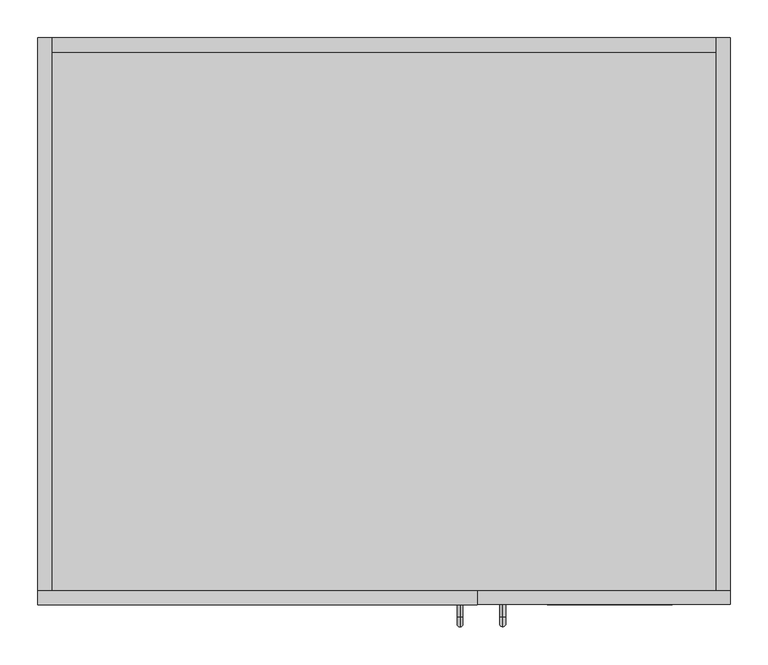
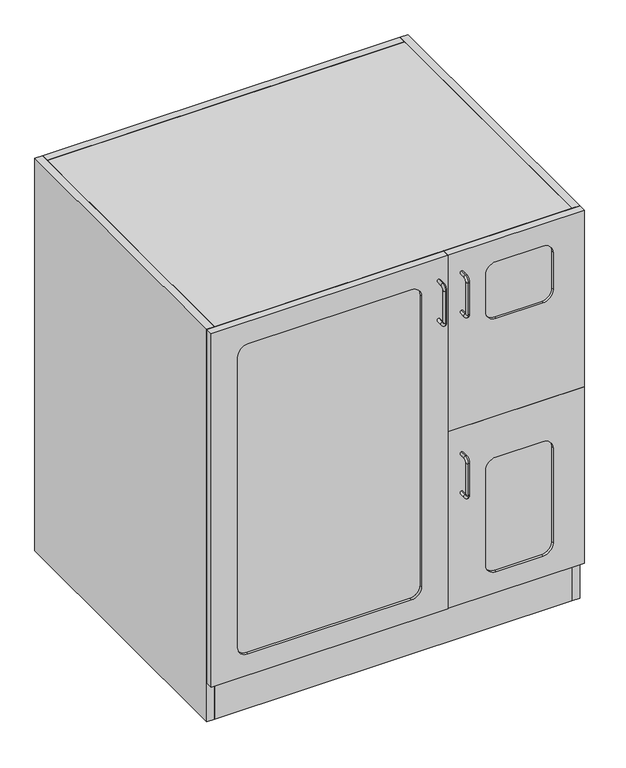
"""IFC4 building model written with IfcOpenShell, lengths in millimetres: proxy geometry."""

import ifcopenshell
import ifcopenshell.guid

model = None  # the IFC model being written
_history = None  # IfcOwnerHistory: only IFC2X3 demands one
_inside = {}  # id of a spatial element -> (the spatial element, [elements in it])
_under = {}  # id of a project, library or spatial element -> (it, [spatial elements below it])
_declared = {}  # id of a project -> (the project, [libraries it declares])
_typed = {}  # id of a type object -> (the type object, [elements of that type])
_made_of = {}  # id of a material, layer set ... -> (it, [elements and type objects made of it])


def new_model(schema):
    """Start an empty IFC model of exactly this schema.

    Asked for "IFC4X3", IfcOpenShell would pick the latest addendum, in which some entities
    have other attributes; the version numbers below select the first issue.
    IFC2X3 requires an IfcOwnerHistory on every rooted entity: one is made here for all.
    """
    global model, _history
    if schema == "IFC4X3":
        model = ifcopenshell.file(schema_version=(4, 3, 0, 0))
    else:
        model = ifcopenshell.file(schema=schema)
    _inside.clear()
    _under.clear()
    _declared.clear()
    _typed.clear()
    _made_of.clear()
    _history = None
    if model.schema == "IFC2X3":
        org = make("IfcOrganization", Name="unknown")
        user = make(
            "IfcPersonAndOrganization",
            ThePerson=make("IfcPerson", FamilyName="unknown"),
            TheOrganization=org,
        )
        app = make(
            "IfcApplication",
            ApplicationDeveloper=org,
            Version="unknown",
            ApplicationFullName="unknown",
            ApplicationIdentifier="unknown",
        )
        _history = make(
            "IfcOwnerHistory",
            OwningUser=user,
            OwningApplication=app,
            ChangeAction="ADDED",
            CreationDate=0,
        )
    return model


def make(cls, **values):
    """One entity of the class cls with the attributes given. An attribute that is None is left unset."""
    return model.create_entity(
        cls, **{name: value for name, value in values.items() if value is not None}
    )


def rooted(cls, **values):
    """An entity with a GlobalId (a new one), such as an element, a storey or a relation."""
    return make(cls, GlobalId=ifcopenshell.guid.new(), OwnerHistory=_history, **values)


def si_unit(unit_type, name, prefix=None):
    """IfcSIUnit, for example si_unit("LENGTHUNIT", "METRE", prefix="MILLI")."""
    return make("IfcSIUnit", UnitType=unit_type, Prefix=prefix, Name=name)


def assignment(units):
    """IfcUnitAssignment: the units of a project."""
    return None if units is None else make("IfcUnitAssignment", Units=units)


def point(xyz):
    """IfcCartesianPoint."""
    return None if xyz is None else make("IfcCartesianPoint", Coordinates=xyz)


def direction(xyz):
    """IfcDirection."""
    return None if xyz is None else make("IfcDirection", DirectionRatios=xyz)


def frame(location, z_axis=None, x_axis=None):
    """IfcAxis2Placement3D, a coordinate frame: its origin and axes. An axis left out is left unset."""
    return make(
        "IfcAxis2Placement3D",
        Location=point(location),
        Axis=direction(z_axis),
        RefDirection=direction(x_axis),
    )


def frame_2d(location, x_axis=None):
    """IfcAxis2Placement2D, a coordinate frame in the plane: its origin and x axis."""
    return make(
        "IfcAxis2Placement2D", Location=point(location), RefDirection=direction(x_axis)
    )


def origin():
    """The frame at (0, 0, 0) with its axes left unset."""
    return frame((0.0, 0.0, 0.0))


def origin_with_axes():
    """The frame at (0, 0, 0) with the z axis (0, 0, 1) and the x axis (1, 0, 0) written out."""
    return frame((0.0, 0.0, 0.0), z_axis=(0.0, 0.0, 1.0), x_axis=(1.0, 0.0, 0.0))


def place(relative_to, where):
    """IfcLocalPlacement: puts the frame where relative to a parent placement (None: the world)."""
    return make(
        "IfcLocalPlacement", PlacementRelTo=relative_to, RelativePlacement=where
    )


def context(
    kind, dimensions, precision=None, world=None, true_north=None, identifier=None
):
    """IfcGeometricRepresentationContext, for example the 3D "Model" context."""
    return make(
        "IfcGeometricRepresentationContext",
        ContextIdentifier=identifier,
        ContextType=kind,
        CoordinateSpaceDimension=dimensions,
        Precision=precision,
        WorldCoordinateSystem=world,
        TrueNorth=true_north,
    )


def project(units=None, contexts=None):
    """IfcProject with its units and contexts."""
    return rooted(
        "IfcProject",
        Name="project",
        RepresentationContexts=contexts,
        UnitsInContext=assignment(units),
    )


def spatial(cls, under=None, at=None, **own):
    """A site, building, storey or space (cls), placed at a placement, below another one or the project."""
    s = rooted(cls, ObjectPlacement=at, **own)
    if under is not None:
        _under.setdefault(under.id(), (under, []))[1].append(s)
    return s


def polyline(points):
    """IfcPolyline through the points."""
    return make("IfcPolyline", Points=[point(p) for p in points])


def circle_curve(where, radius):
    """IfcCircle in the frame where."""
    return make("IfcCircle", Position=where, Radius=radius)


def ellipse_curve(where, semi_axis1, semi_axis2):
    """IfcEllipse in the frame where."""
    return make(
        "IfcEllipse", Position=where, SemiAxis1=semi_axis1, SemiAxis2=semi_axis2
    )


def trimmed(basis, trim1, trim2, sense, master):
    """IfcTrimmedCurve: the piece of a basis curve between two trims."""
    return make(
        "IfcTrimmedCurve",
        BasisCurve=basis,
        Trim1=trim1,
        Trim2=trim2,
        SenseAgreement=sense,
        MasterRepresentation=master,
    )


def segment(curve, same_sense, transition):
    """IfcCompositeCurveSegment."""
    return make(
        "IfcCompositeCurveSegment",
        Transition=transition,
        SameSense=same_sense,
        ParentCurve=curve,
    )


def composite_curve(segments, self_intersect=None):
    """IfcCompositeCurve: segments joined end to end."""
    return make("IfcCompositeCurve", Segments=segments, SelfIntersect=self_intersect)


def outline(outer, holes=None, kind="AREA"):
    """IfcArbitraryClosedProfileDef: a profile drawn as a closed curve; with holes, ...WithVoids."""
    if holes is None:
        return make("IfcArbitraryClosedProfileDef", ProfileType=kind, OuterCurve=outer)
    return make(
        "IfcArbitraryProfileDefWithVoids",
        ProfileType=kind,
        OuterCurve=outer,
        InnerCurves=holes,
    )


def extrude(swept, where, along, depth):
    """IfcExtrudedAreaSolid: the profile swept, set in the frame where, extruded along a direction by depth."""
    return make(
        "IfcExtrudedAreaSolid",
        SweptArea=swept,
        Position=where,
        ExtrudedDirection=direction(along),
        Depth=depth,
    )


def shape(context_of_items, identifier, shape_type, items):
    """IfcShapeRepresentation: the items that make up one representation, for example the "Body"."""
    return make(
        "IfcShapeRepresentation",
        ContextOfItems=context_of_items,
        RepresentationIdentifier=identifier,
        RepresentationType=shape_type,
        Items=items,
    )


def source(mapping_origin, context_of_items, identifier, shape_type, items):
    """IfcRepresentationMap: a shape defined once, which mapped items show again and again."""
    return make(
        "IfcRepresentationMap",
        MappingOrigin=mapping_origin,
        MappedRepresentation=shape(context_of_items, identifier, shape_type, items),
    )


def transform(
    local_origin,
    x_axis=None,
    y_axis=None,
    z_axis=None,
    scale=None,
    scale2=None,
    scale3=None,
    uniform=True,
):
    """IfcCartesianTransformationOperator3D, or its non-uniform kind. x_axis, y_axis, z_axis: its Axis1, 2, 3."""
    if uniform:
        return make(
            "IfcCartesianTransformationOperator3D",
            Axis1=direction(x_axis),
            Axis2=direction(y_axis),
            LocalOrigin=point(local_origin),
            Scale=scale,
            Axis3=direction(z_axis),
        )
    return make(
        "IfcCartesianTransformationOperator3DnonUniform",
        Axis1=direction(x_axis),
        Axis2=direction(y_axis),
        LocalOrigin=point(local_origin),
        Scale=scale,
        Axis3=direction(z_axis),
        Scale2=scale2,
        Scale3=scale3,
    )


def mapped(mapping_source, mapping_target):
    """IfcMappedItem: shows the shape of a source again, moved by a transform."""
    return make(
        "IfcMappedItem", MappingSource=mapping_source, MappingTarget=mapping_target
    )


def made_of(thing, what):
    """Note that an element or type object is made of a material, layer set ...; save() writes the relation."""
    if what is not None:
        _made_of.setdefault(what.id(), (what, []))[1].append(thing)
    return thing


def element(
    cls,
    number,
    at=None,
    inside=None,
    cuts=None,
    type_object=None,
    material=None,
    context=None,
    identifier="Body",
    shape_type=None,
    held_by="IfcProductDefinitionShape",
    body=None,
    shapes=None,
    **own,
):
    """One element of the class cls, such as IfcWall. Its Tag is "e" and its number.

    at: its placement. inside: the storey or other place that contains it. cuts: it is an
    opening in that element (IfcRelVoidsElement). A single representation is given by context,
    identifier, shape_type and body (its items); several are given by shapes. held_by: the class
    of the entity that holds the representations. save() writes the other relations.
    """
    e = rooted(cls, Tag="e%d" % number, ObjectPlacement=at, **own)
    if body is not None:
        shapes = [shape(context, identifier, shape_type, body)]
    if shapes is not None:
        e.Representation = make(held_by, Representations=shapes)
    if inside is not None:
        _inside.setdefault(inside.id(), (inside, []))[1].append(e)
    if cuts is not None:
        rooted(
            "IfcRelVoidsElement", RelatingBuildingElement=cuts, RelatedOpeningElement=e
        )
    if type_object is not None:
        _typed.setdefault(type_object.id(), (type_object, []))[1].append(e)
    return made_of(e, material)


def aggregate(whole, parts):
    """IfcRelAggregates: a whole, such as a stair, and the parts it consists of."""
    return rooted("IfcRelAggregates", RelatingObject=whole, RelatedObjects=parts)


def save(model, path):
    """Write the relations noted so far, then the file.

    IfcRelAggregates (storeys below a building ...), IfcRelContainedInSpatialStructure (elements
    in a storey), IfcRelDefinesByType, IfcRelAssociatesMaterial and IfcRelDeclares: one each for
    every whole, place, type object, material and project.
    """
    for whole, parts in _under.values():
        aggregate(whole, parts)
    for where, things in _inside.values():
        rooted(
            "IfcRelContainedInSpatialStructure",
            RelatedElements=things,
            RelatingStructure=where,
        )
    for kind, things in _typed.values():
        rooted("IfcRelDefinesByType", RelatedObjects=things, RelatingType=kind)
    for what, things in _made_of.values():
        rooted("IfcRelAssociatesMaterial", RelatedObjects=things, RelatingMaterial=what)
    for by, libraries in _declared.values():
        rooted("IfcRelDeclares", RelatingContext=by, RelatedDefinitions=libraries)
    model.write(path)


def plane_surface(at):
    """IfcPlane: the flat surface through the origin of the frame at, square to its z axis."""
    return make("IfcPlane", Position=at)


def cylinder_surface(at, radius):
    """IfcCylindricalSurface: all points at the distance radius from the z axis of the frame at."""
    return make("IfcCylindricalSurface", Position=at, Radius=radius)


def revolved_surface(curve, axis_point, axis_direction):
    """IfcSurfaceOfRevolution: the curve turned about the line through axis_point along axis_direction."""
    return make(
        "IfcSurfaceOfRevolution",
        SweptCurve=make("IfcArbitraryOpenProfileDef", ProfileType="CURVE", Curve=curve),
        AxisPosition=make("IfcAxis1Placement", Location=point(axis_point), Axis=direction(axis_direction)),
    )


def advanced_brep(points, edges, surfaces, faces):
    """IfcAdvancedBrep: a solid bounded by faces that lie on surfaces and meet in shared edges.

    An edge is (start, end): straight between two places in points (the first is 0);
    or (start, end, curve); or (start, end, curve, False) where it runs against its curve.
    A face is (place in surfaces, loops), or (place, loops, False) where it looks against
    its surface's normal. A loop lists edges by number (the first is 1), with a minus sign
    where the edge is run from its end to its start. The first loop is the outer one.
    """
    corners = [point(p) for p in points]
    vertices = [make("IfcVertexPoint", VertexGeometry=c) for c in corners]
    made = []
    for start, end, *more in edges:
        made.append(
            make(
                "IfcEdgeCurve",
                EdgeStart=vertices[start],
                EdgeEnd=vertices[end],
                EdgeGeometry=more[0] if more else make("IfcPolyline", Points=[corners[start], corners[end]]),
                SameSense=more[1] if len(more) > 1 else True,
            )
        )
    hull = []
    for where, loops, *sense in faces:
        bounds = []
        for j, loop in enumerate(loops):
            ring = [make("IfcOrientedEdge", EdgeElement=made[abs(k) - 1], Orientation=k > 0) for k in loop]
            bounds.append(
                make(
                    "IfcFaceOuterBound" if j == 0 else "IfcFaceBound",
                    Bound=make("IfcEdgeLoop", EdgeList=ring),
                    Orientation=True,
                )
            )
        hull.append(make("IfcAdvancedFace", Bounds=bounds, FaceSurface=surfaces[where], SameSense=sense[0] if sense else True))
    return make("IfcAdvancedBrep", Outer=make("IfcClosedShell", CfsFaces=hull))


def specialty_equipment_f8169be7(model_context):
    return source(origin(), model_context, "Body", "SolidModel", [
        advanced_brep(
        [(309.1688814, -139.3992455, 956.5118154), (309.1688814, -139.3992455, 964.3631846), (309.1688814, -155.5610223, 964.3631846), (309.1688814, -155.5610223, 956.5118154), (309.1688814, -168.7249301, 951.1992768), (309.1688814, -160.8735609, 951.1992768), (309.1688814, -168.7249301, 868.0757232), (309.1688814, -160.8735609, 868.0757232), (309.1688814, -155.5610223, 854.9118154), (309.1688814, -155.5610223, 862.7631846), (309.1688814, -139.3992455, 862.7631846), (309.1688814, -139.3992455, 854.9118154)],
        [
            (0, 1, circle_curve(frame((309.1688814, -139.3992455, 960.4375), z_axis=(0.0, 1.0, 0.0), x_axis=(0.0, 0.0, 1.0)), 3.9256846)),
            (1, 0, circle_curve(frame((309.1688814, -139.3992455, 960.4375), z_axis=(0.0, 1.0, 0.0), x_axis=(0.0, 0.0, 1.0)), 3.9256846)),
            (1, 2),
            (2, 3, circle_curve(frame((309.1688814, -155.5610223, 960.4375), z_axis=(0.0, 1.0, 0.0), x_axis=(0.0, 0.0, 1.0)), 3.9256846)),
            (3, 0),
            (3, 2, circle_curve(frame((309.1688814, -155.5610223, 960.4375), z_axis=(0.0, 1.0, 0.0), x_axis=(0.0, 0.0, 1.0)), 3.9256846)),
            (4, 5, circle_curve(frame((309.1688814, -164.7992455, 951.1992768), z_axis=(0.0, 0.0, 1.0), x_axis=(0.0, -1.0, 0.0)), 3.9256846)),
            (5, 3, circle_curve(frame((309.1688814, -155.5610223, 951.1992768), z_axis=(-1.0, 0.0, 0.0), x_axis=(0.0, 0.0, 1.0)), 5.3125387)),
            (2, 4, circle_curve(frame((309.1688814, -155.5610223, 951.1992768), z_axis=(1.0, 0.0, 0.0), x_axis=(0.0, 0.0, 1.0)), 13.1639078)),
            (5, 4, circle_curve(frame((309.1688814, -164.7992455, 951.1992768), z_axis=(0.0, 0.0, 1.0), x_axis=(0.0, -1.0, 0.0)), 3.9256846)),
            (4, 6),
            (6, 7, circle_curve(frame((309.1688814, -164.7992455, 868.0757232), z_axis=(0.0, 0.0, 1.0), x_axis=(0.0, -1.0, 0.0)), 3.9256846)),
            (7, 5),
            (7, 6, circle_curve(frame((309.1688814, -164.7992455, 868.0757232), z_axis=(0.0, 0.0, 1.0), x_axis=(0.0, -1.0, 0.0)), 3.9256846)),
            (8, 9, circle_curve(frame((309.1688814, -155.5610223, 858.8375), z_axis=(0.0, -1.0, 0.0), x_axis=(0.0, 0.0, -1.0)), 3.9256846)),
            (9, 7, circle_curve(frame((309.1688814, -155.5610223, 868.0757232), z_axis=(-1.0, 0.0, 0.0), x_axis=(0.0, -1.0, 0.0)), 5.3125387)),
            (6, 8, circle_curve(frame((309.1688814, -155.5610223, 868.0757232), z_axis=(1.0, 0.0, 0.0), x_axis=(0.0, -1.0, 0.0)), 13.1639078)),
            (9, 8, circle_curve(frame((309.1688814, -155.5610223, 858.8375), z_axis=(0.0, -1.0, 0.0), x_axis=(0.0, 0.0, -1.0)), 3.9256846)),
            (10, 11, circle_curve(frame((309.1688814, -139.3992455, 858.8375), z_axis=(0.0, 1.0, 0.0), x_axis=(0.0, 0.0, -1.0)), 3.9256846)),
            (11, 10, circle_curve(frame((309.1688814, -139.3992455, 858.8375), z_axis=(0.0, 1.0, 0.0), x_axis=(0.0, 0.0, -1.0)), 3.9256846)),
            (8, 11),
            (10, 9),
        ],
        [
            plane_surface(frame((309.1688814, -139.3992455, 960.4375), z_axis=(0.0, 1.0, 0.0), x_axis=(-1.0, 0.0, 0.0))),
            cylinder_surface(frame((309.1688814, -139.3992455, 960.4375), z_axis=(0.0, 1.0, 0.0), x_axis=(0.0, 0.0, 1.0)), 3.9256846),
            revolved_surface(trimmed(ellipse_curve(frame((309.1688814, -155.5610223, 960.4375), z_axis=(0.0, -1.0, 0.0), x_axis=(0.0, 0.0, 1.0)), 3.9256846, 3.9256846), [point((309.1688814, -155.5610223, 956.5118154))], [point((309.1688814, -155.5610223, 964.3631846))], True, "CARTESIAN"), (309.1688814, -155.5610223, 951.1992768), (-1.0, 0.0, 0.0)),
            revolved_surface(trimmed(ellipse_curve(frame((309.1688814, -155.5610223, 960.4375), z_axis=(0.0, -1.0, 0.0), x_axis=(0.0, 0.0, 1.0)), 3.9256846, 3.9256846), [point((309.1688814, -155.5610223, 964.3631846))], [point((309.1688814, -155.5610223, 956.5118154))], True, "CARTESIAN"), (309.1688814, -155.5610223, 951.1992768), (-1.0, 0.0, 0.0)),
            cylinder_surface(frame((309.1688814, -164.7992455, 951.1992768), z_axis=(0.0, 0.0, 1.0), x_axis=(0.0, -1.0, 0.0)), 3.9256846),
            revolved_surface(trimmed(ellipse_curve(frame((309.1688814, -164.7992455, 868.0757232), z_axis=(0.0, 0.0, -1.0), x_axis=(0.0, -1.0, 0.0)), 3.9256846, 3.9256846), [point((309.1688814, -160.8735609, 868.0757232))], [point((309.1688814, -168.7249301, 868.0757232))], True, "CARTESIAN"), (309.1688814, -155.5610223, 868.0757232), (-1.0, 0.0, 0.0)),
            revolved_surface(trimmed(ellipse_curve(frame((309.1688814, -164.7992455, 868.0757232), z_axis=(0.0, 0.0, -1.0), x_axis=(0.0, -1.0, 0.0)), 3.9256846, 3.9256846), [point((309.1688814, -168.7249301, 868.0757232))], [point((309.1688814, -160.8735609, 868.0757232))], True, "CARTESIAN"), (309.1688814, -155.5610223, 868.0757232), (-1.0, 0.0, 0.0)),
            plane_surface(frame((309.1688814, -139.3992455, 858.8375), z_axis=(0.0, 1.0, 0.0), x_axis=(-1.0, 0.0, 0.0))),
            cylinder_surface(frame((309.1688814, -155.5610223, 858.8375), z_axis=(0.0, -1.0, 0.0), x_axis=(0.0, 0.0, -1.0)), 3.9256846),
        ],
        [
            (0, [[1, 2]]),
            (1, [[3, 4, 5, -2]]),
            (1, [[-5, 6, -3, -1]]),
            (2, [[7, 8, -4, 9]]),
            (3, [[10, -9, -6, -8]]),
            (4, [[11, 12, 13, -7]]),
            (4, [[-13, 14, -11, -10]]),
            (5, [[15, 16, -12, 17]]),
            (6, [[18, -17, -14, -16]]),
            (7, [[19, 20]]),
            (8, [[21, -19, 22, -15]]),
            (8, [[-22, -20, -21, -18]]),
        ],
    ),
        advanced_brep(
        [(309.1688814, -139.3992455, 488.1993154), (309.1688814, -139.3992455, 496.0506846), (309.1688814, -155.5610223, 496.0506846), (309.1688814, -155.5610223, 488.1993154), (309.1688814, -168.7249301, 482.8867768), (309.1688814, -160.8735609, 482.8867768), (309.1688814, -168.7249301, 399.7632232), (309.1688814, -160.8735609, 399.7632232), (309.1688814, -155.5610223, 386.5993154), (309.1688814, -155.5610223, 394.4506846), (309.1688814, -139.3992455, 394.4506846), (309.1688814, -139.3992455, 386.5993154)],
        [
            (0, 1, circle_curve(frame((309.1688814, -139.3992455, 492.125), z_axis=(0.0, 1.0, 0.0), x_axis=(0.0, 0.0, 1.0)), 3.9256846)),
            (1, 0, circle_curve(frame((309.1688814, -139.3992455, 492.125), z_axis=(0.0, 1.0, 0.0), x_axis=(0.0, 0.0, 1.0)), 3.9256846)),
            (1, 2),
            (2, 3, circle_curve(frame((309.1688814, -155.5610223, 492.125), z_axis=(0.0, 1.0, 0.0), x_axis=(0.0, 0.0, 1.0)), 3.9256846)),
            (3, 0),
            (3, 2, circle_curve(frame((309.1688814, -155.5610223, 492.125), z_axis=(0.0, 1.0, 0.0), x_axis=(0.0, 0.0, 1.0)), 3.9256846)),
            (4, 5, circle_curve(frame((309.1688814, -164.7992455, 482.8867768), z_axis=(0.0, 0.0, 1.0), x_axis=(0.0, -1.0, 0.0)), 3.9256846)),
            (5, 3, circle_curve(frame((309.1688814, -155.5610223, 482.8867768), z_axis=(-1.0, 0.0, 0.0), x_axis=(0.0, 0.0, 1.0)), 5.3125387)),
            (2, 4, circle_curve(frame((309.1688814, -155.5610223, 482.8867768), z_axis=(1.0, 0.0, 0.0), x_axis=(0.0, 0.0, 1.0)), 13.1639078)),
            (5, 4, circle_curve(frame((309.1688814, -164.7992455, 482.8867768), z_axis=(0.0, 0.0, 1.0), x_axis=(0.0, -1.0, 0.0)), 3.9256846)),
            (4, 6),
            (6, 7, circle_curve(frame((309.1688814, -164.7992455, 399.7632232), z_axis=(0.0, 0.0, 1.0), x_axis=(0.0, -1.0, 0.0)), 3.9256846)),
            (7, 5),
            (7, 6, circle_curve(frame((309.1688814, -164.7992455, 399.7632232), z_axis=(0.0, 0.0, 1.0), x_axis=(0.0, -1.0, 0.0)), 3.9256846)),
            (8, 9, circle_curve(frame((309.1688814, -155.5610223, 390.525), z_axis=(0.0, -1.0, 0.0), x_axis=(0.0, 0.0, -1.0)), 3.9256846)),
            (9, 7, circle_curve(frame((309.1688814, -155.5610223, 399.7632232), z_axis=(-1.0, 0.0, 0.0), x_axis=(0.0, -1.0, 0.0)), 5.3125387)),
            (6, 8, circle_curve(frame((309.1688814, -155.5610223, 399.7632232), z_axis=(1.0, 0.0, 0.0), x_axis=(0.0, -1.0, 0.0)), 13.1639078)),
            (9, 8, circle_curve(frame((309.1688814, -155.5610223, 390.525), z_axis=(0.0, -1.0, 0.0), x_axis=(0.0, 0.0, -1.0)), 3.9256846)),
            (10, 11, circle_curve(frame((309.1688814, -139.3992455, 390.525), z_axis=(0.0, 1.0, 0.0), x_axis=(0.0, 0.0, -1.0)), 3.9256846)),
            (11, 10, circle_curve(frame((309.1688814, -139.3992455, 390.525), z_axis=(0.0, 1.0, 0.0), x_axis=(0.0, 0.0, -1.0)), 3.9256846)),
            (8, 11),
            (10, 9),
        ],
        [
            plane_surface(frame((309.1688814, -139.3992455, 492.125), z_axis=(0.0, 1.0, 0.0), x_axis=(-1.0, 0.0, 0.0))),
            cylinder_surface(frame((309.1688814, -139.3992455, 492.125), z_axis=(0.0, 1.0, 0.0), x_axis=(0.0, 0.0, 1.0)), 3.9256846),
            revolved_surface(trimmed(ellipse_curve(frame((309.1688814, -155.5610223, 492.125), z_axis=(0.0, -1.0, 0.0), x_axis=(0.0, 0.0, 1.0)), 3.9256846, 3.9256846), [point((309.1688814, -155.5610223, 488.1993154))], [point((309.1688814, -155.5610223, 496.0506846))], True, "CARTESIAN"), (309.1688814, -155.5610223, 482.8867768), (-1.0, 0.0, 0.0)),
            revolved_surface(trimmed(ellipse_curve(frame((309.1688814, -155.5610223, 492.125), z_axis=(0.0, -1.0, 0.0), x_axis=(0.0, 0.0, 1.0)), 3.9256846, 3.9256846), [point((309.1688814, -155.5610223, 496.0506846))], [point((309.1688814, -155.5610223, 488.1993154))], True, "CARTESIAN"), (309.1688814, -155.5610223, 482.8867768), (-1.0, 0.0, 0.0)),
            cylinder_surface(frame((309.1688814, -164.7992455, 482.8867768), z_axis=(0.0, 0.0, 1.0), x_axis=(0.0, -1.0, 0.0)), 3.9256846),
            revolved_surface(trimmed(ellipse_curve(frame((309.1688814, -164.7992455, 399.7632232), z_axis=(0.0, 0.0, -1.0), x_axis=(0.0, -1.0, 0.0)), 3.9256846, 3.9256846), [point((309.1688814, -160.8735609, 399.7632232))], [point((309.1688814, -168.7249301, 399.7632232))], True, "CARTESIAN"), (309.1688814, -155.5610223, 399.7632232), (-1.0, 0.0, 0.0)),
            revolved_surface(trimmed(ellipse_curve(frame((309.1688814, -164.7992455, 399.7632232), z_axis=(0.0, 0.0, -1.0), x_axis=(0.0, -1.0, 0.0)), 3.9256846, 3.9256846), [point((309.1688814, -168.7249301, 399.7632232))], [point((309.1688814, -160.8735609, 399.7632232))], True, "CARTESIAN"), (309.1688814, -155.5610223, 399.7632232), (-1.0, 0.0, 0.0)),
            plane_surface(frame((309.1688814, -139.3992455, 390.525), z_axis=(0.0, 1.0, 0.0), x_axis=(-1.0, 0.0, 0.0))),
            cylinder_surface(frame((309.1688814, -155.5610223, 390.525), z_axis=(0.0, -1.0, 0.0), x_axis=(0.0, 0.0, -1.0)), 3.9256846),
        ],
        [
            (0, [[1, 2]]),
            (1, [[3, 4, 5, -2]]),
            (1, [[-5, 6, -3, -1]]),
            (2, [[7, 8, -4, 9]]),
            (3, [[10, -9, -6, -8]]),
            (4, [[11, 12, 13, -7]]),
            (4, [[-13, 14, -11, -10]]),
            (5, [[15, 16, -12, 17]]),
            (6, [[18, -17, -14, -16]]),
            (7, [[19, 20]]),
            (8, [[21, -19, 22, -15]]),
            (8, [[-22, -20, -21, -18]]),
        ],
    ),
        advanced_brep(
        [(252.7878423, -139.7, 954.9243154), (252.7878423, -139.7, 962.7756846), (252.7878423, -155.8617768, 954.9243154), (252.7878423, -155.8617768, 962.7756846), (252.7878423, -169.0256846, 949.6117768), (252.7878423, -161.1743154, 949.6117768), (252.7878423, -161.1743154, 866.4882232), (252.7878423, -169.0256846, 866.4882232), (252.7878423, -155.8617768, 853.3243154), (252.7878423, -155.8617768, 861.1756846), (252.7878423, -139.7, 861.1756846), (252.7878423, -139.7, 853.3243154)],
        [
            (0, 1, circle_curve(frame((252.7878423, -139.7, 958.85), z_axis=(0.0, 1.0, 0.0), x_axis=(0.0, 0.0, 1.0)), 3.9256846)),
            (1, 0, circle_curve(frame((252.7878423, -139.7, 958.85), z_axis=(0.0, 1.0, 0.0), x_axis=(0.0, 0.0, 1.0)), 3.9256846)),
            (0, 2),
            (2, 3, circle_curve(frame((252.7878423, -155.8617768, 958.85), z_axis=(0.0, 1.0, 0.0), x_axis=(0.0, 0.0, 1.0)), 3.9256846)),
            (3, 1),
            (3, 2, circle_curve(frame((252.7878423, -155.8617768, 958.85), z_axis=(0.0, 1.0, 0.0), x_axis=(0.0, 0.0, 1.0)), 3.9256846)),
            (4, 3, circle_curve(frame((252.7878423, -155.8617768, 949.6117768), z_axis=(-1.0, 0.0, 0.0), x_axis=(0.0, 0.0, 1.0)), 13.1639078)),
            (2, 5, circle_curve(frame((252.7878423, -155.8617768, 949.6117768), z_axis=(1.0, 0.0, 0.0), x_axis=(0.0, 0.0, 1.0)), 5.3125387)),
            (5, 4, circle_curve(frame((252.7878423, -165.1, 949.6117768), z_axis=(0.0, 0.0, 1.0), x_axis=(0.0, -1.0, 0.0)), 3.9256846)),
            (4, 5, circle_curve(frame((252.7878423, -165.1, 949.6117768), z_axis=(0.0, 0.0, 1.0), x_axis=(0.0, -1.0, 0.0)), 3.9256846)),
            (5, 6),
            (6, 7, circle_curve(frame((252.7878423, -165.1, 866.4882232), z_axis=(0.0, 0.0, 1.0), x_axis=(0.0, -1.0, 0.0)), 3.9256846)),
            (7, 4),
            (7, 6, circle_curve(frame((252.7878423, -165.1, 866.4882232), z_axis=(0.0, 0.0, 1.0), x_axis=(0.0, -1.0, 0.0)), 3.9256846)),
            (8, 7, circle_curve(frame((252.7878423, -155.8617768, 866.4882232), z_axis=(-1.0, 0.0, 0.0), x_axis=(0.0, -1.0, 0.0)), 13.1639078)),
            (6, 9, circle_curve(frame((252.7878423, -155.8617768, 866.4882232), z_axis=(1.0, 0.0, 0.0), x_axis=(0.0, -1.0, 0.0)), 5.3125387)),
            (9, 8, circle_curve(frame((252.7878423, -155.8617768, 857.25), z_axis=(0.0, -1.0, 0.0), x_axis=(0.0, 0.0, -1.0)), 3.9256846)),
            (8, 9, circle_curve(frame((252.7878423, -155.8617768, 857.25), z_axis=(0.0, -1.0, 0.0), x_axis=(0.0, 0.0, -1.0)), 3.9256846)),
            (10, 11, circle_curve(frame((252.7878423, -139.7, 857.25), z_axis=(0.0, 1.0, 0.0), x_axis=(0.0, 0.0, -1.0)), 3.9256846)),
            (11, 10, circle_curve(frame((252.7878423, -139.7, 857.25), z_axis=(0.0, 1.0, 0.0), x_axis=(0.0, 0.0, -1.0)), 3.9256846)),
            (9, 10),
            (11, 8),
        ],
        [
            plane_surface(frame((252.7878423, -139.7, 958.85), z_axis=(0.0, 1.0, 0.0), x_axis=(1.0, 0.0, 0.0))),
            cylinder_surface(frame((252.7878423, -139.7, 958.85), z_axis=(0.0, 1.0, 0.0), x_axis=(0.0, 0.0, 1.0)), 3.9256846),
            revolved_surface(trimmed(ellipse_curve(frame((252.7878423, -155.8617768, 958.85), z_axis=(0.0, 1.0, 0.0), x_axis=(0.0, 0.0, 1.0)), 3.9256846, 3.9256846), [point((252.7878423, -155.8617768, 954.9243154))], [point((252.7878423, -155.8617768, 962.7756846))], True, "CARTESIAN"), (252.7878423, -155.8617768, 949.6117768), (1.0, 0.0, 0.0)),
            revolved_surface(trimmed(ellipse_curve(frame((252.7878423, -155.8617768, 958.85), z_axis=(0.0, 1.0, 0.0), x_axis=(0.0, 0.0, 1.0)), 3.9256846, 3.9256846), [point((252.7878423, -155.8617768, 962.7756846))], [point((252.7878423, -155.8617768, 954.9243154))], True, "CARTESIAN"), (252.7878423, -155.8617768, 949.6117768), (1.0, 0.0, 0.0)),
            cylinder_surface(frame((252.7878423, -165.1, 949.6117768), z_axis=(0.0, 0.0, 1.0), x_axis=(0.0, -1.0, 0.0)), 3.9256846),
            revolved_surface(trimmed(ellipse_curve(frame((252.7878423, -165.1, 866.4882232), z_axis=(0.0, 0.0, 1.0), x_axis=(0.0, -1.0, 0.0)), 3.9256846, 3.9256846), [point((252.7878423, -161.1743154, 866.4882232))], [point((252.7878423, -169.0256846, 866.4882232))], True, "CARTESIAN"), (252.7878423, -155.8617768, 866.4882232), (1.0, 0.0, 0.0)),
            revolved_surface(trimmed(ellipse_curve(frame((252.7878423, -165.1, 866.4882232), z_axis=(0.0, 0.0, 1.0), x_axis=(0.0, -1.0, 0.0)), 3.9256846, 3.9256846), [point((252.7878423, -169.0256846, 866.4882232))], [point((252.7878423, -161.1743154, 866.4882232))], True, "CARTESIAN"), (252.7878423, -155.8617768, 866.4882232), (1.0, 0.0, 0.0)),
            plane_surface(frame((252.7878423, -139.7, 857.25), z_axis=(0.0, 1.0, 0.0), x_axis=(1.0, 0.0, 0.0))),
            cylinder_surface(frame((252.7878423, -155.8617768, 857.25), z_axis=(0.0, -1.0, 0.0), x_axis=(0.0, 0.0, -1.0)), 3.9256846),
        ],
        [
            (0, [[1, 2]]),
            (1, [[-1, 3, 4, 5]]),
            (1, [[-2, -5, 6, -3]]),
            (2, [[7, -4, 8, 9]]),
            (3, [[-8, -6, -7, 10]]),
            (4, [[-9, 11, 12, 13]]),
            (4, [[-10, -13, 14, -11]]),
            (5, [[15, -12, 16, 17]]),
            (6, [[-16, -14, -15, 18]]),
            (7, [[19, 20]]),
            (8, [[-17, 21, -20, 22]]),
            (8, [[-18, -22, -19, -21]]),
        ],
    ),
        extrude(outline(polyline([(590.55, -101.6), (590.55, -120.65), (-285.75, -120.65), (-285.75, -101.6), (590.55, -101.6)])), origin_with_axes(), (0.0, 0.0, 1.0), 101.6),
        extrude(outline(polyline([(1016.2479317, 590.55), (1016.2479317, -285.75), (101.6, -285.75), (101.6, 590.55), (1016.2479317, 590.55)]), holes=[composite_curve([segment(polyline([(854.3229317, 224.3944927), (200.025, 224.3944927)]), True, "CONTINUOUS"), segment(trimmed(circle_curve(frame_2d((200.025, 198.9944927)), 25.4), [point((200.025, 224.3944927))], [point((174.625, 198.9944927))], True, "CARTESIAN"), True, "CONTINUOUS"), segment(polyline([(174.625, 198.9944927), (174.625, -200.81875)]), True, "CONTINUOUS"), segment(trimmed(circle_curve(frame_2d((200.025, -200.81875)), 25.4), [point((174.625, -200.81875))], [point((200.025, -226.21875))], True, "CARTESIAN"), True, "CONTINUOUS"), segment(polyline([(200.025, -226.21875), (854.3229317, -226.21875)]), True, "CONTINUOUS"), segment(trimmed(circle_curve(frame_2d((854.3229317, -200.81875)), 25.4), [point((854.3229317, -226.21875))], [point((879.7229317, -200.81875))], True, "CARTESIAN"), True, "CONTINUOUS"), segment(polyline([(879.7229317, -200.81875), (879.7229317, 198.9944927)]), True, "CONTINUOUS"), segment(trimmed(circle_curve(frame_2d((854.3229317, 198.9944927)), 25.4), [point((879.7229317, 198.9944927))], [point((854.3229317, 224.3944927))], True, "CARTESIAN"), True, "CONTINUOUS")], self_intersect=False)]), frame((0.0, 590.55, 0.0), z_axis=(0.0, 1.0, 0.0), x_axis=(0.0, 0.0, 1.0)), (0.0, 0.0, 1.0), 19.05),
        extrude(outline(polyline([(266.7, 590.55), (285.75, 590.55), (285.75, -120.65), (266.7, -120.65), (266.7, 590.55)])), frame((0.0, 0.0, 120.65), z_axis=(0.0, 0.0, 1.0), x_axis=(1.0, 0.0, 0.0)), (0.0, 0.0, 1.0), 876.5479317),
        extrude(outline(composite_curve([segment(polyline([(879.7229317, 198.9944927), (879.7229317, -200.81875)]), True, "CONTINUOUS"), segment(trimmed(circle_curve(frame_2d((854.3229317, -200.81875)), 25.4), [point((879.7229317, -200.81875))], [point((854.3229317, -226.21875))], False, "CARTESIAN"), True, "CONTINUOUS"), segment(polyline([(854.3229317, -226.21875), (200.025, -226.21875)]), True, "CONTINUOUS"), segment(trimmed(circle_curve(frame_2d((200.025, -200.81875)), 25.4), [point((200.025, -226.21875))], [point((174.625, -200.81875))], False, "CARTESIAN"), True, "CONTINUOUS"), segment(polyline([(174.625, -200.81875), (174.625, 198.9944927)]), True, "CONTINUOUS"), segment(trimmed(circle_curve(frame_2d((200.025, 198.9944927)), 25.4), [point((174.625, 198.9944927))], [point((200.025, 224.3944927))], False, "CARTESIAN"), True, "CONTINUOUS"), segment(polyline([(200.025, 224.3944927), (854.3229317, 224.3944927)]), True, "CONTINUOUS"), segment(trimmed(circle_curve(frame_2d((854.3229317, 198.9944927)), 25.4), [point((854.3229317, 224.3944927))], [point((879.7229317, 198.9944927))], False, "CARTESIAN"), True, "CONTINUOUS")], self_intersect=False)), frame((0.0, 596.9, 0.0), z_axis=(0.0, 1.0, 0.0), x_axis=(0.0, 0.0, 1.0)), (0.0, 0.0, 1.0), 6.35),
        extrude(outline(polyline([(266.7, 590.55), (266.7, 173.5746441), (-285.75, 374.65), (-285.75, 590.55), (266.7, 590.55)])), frame((0.0, 0.0, 550.3822176), z_axis=(0.0, 0.0, 1.0), x_axis=(1.0, 0.0, 0.0)), (0.0, 0.0, 1.0), 19.05),
        extrude(outline(polyline([(590.55, 590.55), (590.55, -120.65), (285.75, -120.65), (285.75, 590.55), (590.55, 590.55)])), frame((0.0, 0.0, 549.3989658), z_axis=(0.0, 0.0, 1.0), x_axis=(1.0, 0.0, 0.0)), (0.0, 0.0, 1.0), 19.05),
        extrude(outline(polyline([(590.55, 590.55), (590.55, -120.65), (-285.75, -120.65), (-285.75, 590.55), (590.55, 590.55)])), frame((0.0, 0.0, 997.1979317), z_axis=(0.0, 0.0, 1.0), x_axis=(1.0, 0.0, 0.0)), (0.0, 0.0, 1.0), 19.05),
        extrude(outline(polyline([(590.55, -120.65), (-285.75, -120.65), (-285.75, 590.55), (590.55, 590.55), (590.55, -120.65)])), frame((0.0, 0.0, 101.6), z_axis=(0.0, 0.0, 1.0), x_axis=(1.0, 0.0, 0.0)), (0.0, 0.0, 1.0), 19.05),
        extrude(outline(polyline([(590.55, 609.6), (609.6, 609.6), (609.6, -120.65), (590.55, -120.65), (590.55, 609.6)])), origin_with_axes(), (0.0, 0.0, 1.0), 1016.2479317),
        extrude(outline(polyline([(-285.75, 609.6), (-285.75, -120.65), (-304.8, -120.65), (-304.8, 609.6), (-285.75, 609.6)])), origin_with_axes(), (0.0, 0.0, 1.0), 1016.2479317),
        extrude(outline(polyline([(558.9239658, 609.6), (558.9239658, 275.5812652), (101.6, 275.5812652), (101.6, 609.6), (558.9239658, 609.6)]), holes=[composite_curve([segment(polyline([(452.4375, 393.7), (452.4375, 508.0)]), True, "CONTINUOUS"), segment(trimmed(circle_curve(frame_2d((427.0375, 508.0)), 25.4), [point((452.4375, 508.0))], [point((427.0375, 533.4))], True, "CARTESIAN"), True, "CONTINUOUS"), segment(polyline([(427.0375, 533.4), (180.975, 533.4)]), True, "CONTINUOUS"), segment(trimmed(circle_curve(frame_2d((180.975, 508.0)), 25.4), [point((180.975, 533.4))], [point((155.575, 508.0))], True, "CARTESIAN"), True, "CONTINUOUS"), segment(polyline([(155.575, 508.0), (155.575, 393.7)]), True, "CONTINUOUS"), segment(trimmed(circle_curve(frame_2d((180.975, 393.7)), 25.4), [point((155.575, 393.7))], [point((180.975, 368.3))], True, "CARTESIAN"), True, "CONTINUOUS"), segment(polyline([(180.975, 368.3), (427.0375, 368.3)]), True, "CONTINUOUS"), segment(trimmed(circle_curve(frame_2d((427.0375, 393.7)), 25.4), [point((427.0375, 368.3))], [point((452.4375, 393.7))], True, "CARTESIAN"), True, "CONTINUOUS")], self_intersect=False)]), frame((0.0, -139.3992455, 0.0), z_axis=(0.0, 1.0, 0.0), x_axis=(0.0, 0.0, 1.0)), (0.0, 0.0, 1.0), 19.05),
        extrude(outline(composite_curve([segment(polyline([(958.85, 508.0), (958.85, 393.7)]), True, "CONTINUOUS"), segment(trimmed(circle_curve(frame_2d((933.45, 393.7)), 25.4), [point((958.85, 393.7))], [point((933.45, 368.3))], False, "CARTESIAN"), True, "CONTINUOUS"), segment(polyline([(933.45, 368.3), (837.0855774, 368.3)]), True, "CONTINUOUS"), segment(trimmed(circle_curve(frame_2d((837.0855774, 393.7)), 25.4), [point((837.0855774, 368.3))], [point((811.6855774, 393.7))], False, "CARTESIAN"), True, "CONTINUOUS"), segment(polyline([(811.6855774, 393.7), (811.6855774, 508.0)]), True, "CONTINUOUS"), segment(trimmed(circle_curve(frame_2d((837.0855774, 508.0)), 25.4), [point((811.6855774, 508.0))], [point((837.0855774, 533.4))], False, "CARTESIAN"), True, "CONTINUOUS"), segment(polyline([(837.0855774, 533.4), (933.45, 533.4)]), True, "CONTINUOUS"), segment(trimmed(circle_curve(frame_2d((933.45, 508.0)), 25.4), [point((933.45, 533.4))], [point((958.85, 508.0))], False, "CARTESIAN"), True, "CONTINUOUS")], self_intersect=False)), frame((0.0, -133.35, 0.0), z_axis=(0.0, 1.0, 0.0), x_axis=(0.0, 0.0, 1.0)), (0.0, 0.0, 1.0), 6.35),
        extrude(outline(composite_curve([segment(polyline([(958.85, 508.0), (958.85, 393.7)]), True, "CONTINUOUS"), segment(trimmed(circle_curve(frame_2d((933.45, 393.7)), 25.4), [point((958.85, 393.7))], [point((933.45, 368.3))], False, "CARTESIAN"), True, "CONTINUOUS"), segment(polyline([(933.45, 368.3), (837.0855774, 368.3)]), True, "CONTINUOUS"), segment(trimmed(circle_curve(frame_2d((837.0855774, 393.7)), 25.4), [point((837.0855774, 368.3))], [point((811.6855774, 393.7))], False, "CARTESIAN"), True, "CONTINUOUS"), segment(polyline([(811.6855774, 393.7), (811.6855774, 508.0)]), True, "CONTINUOUS"), segment(trimmed(circle_curve(frame_2d((837.0855774, 508.0)), 25.4), [point((811.6855774, 508.0))], [point((837.0855774, 533.4))], False, "CARTESIAN"), True, "CONTINUOUS"), segment(polyline([(837.0855774, 533.4), (933.45, 533.4)]), True, "CONTINUOUS"), segment(trimmed(circle_curve(frame_2d((933.45, 508.0)), 25.4), [point((933.45, 533.4))], [point((958.85, 508.0))], False, "CARTESIAN"), True, "CONTINUOUS")], self_intersect=False)), frame((0.0, -133.35, 0.0), z_axis=(0.0, 1.0, 0.0), x_axis=(0.0, 0.0, 1.0)), (0.0, 0.0, 1.0), 6.35),
        extrude(outline(composite_curve([segment(polyline([(452.4375, 508.0), (452.4375, 393.7)]), True, "CONTINUOUS"), segment(trimmed(circle_curve(frame_2d((427.0375, 393.7)), 25.4), [point((452.4375, 393.7))], [point((427.0375, 368.3))], False, "CARTESIAN"), True, "CONTINUOUS"), segment(polyline([(427.0375, 368.3), (180.975, 368.3)]), True, "CONTINUOUS"), segment(trimmed(circle_curve(frame_2d((180.975, 393.7)), 25.4), [point((180.975, 368.3))], [point((155.575, 393.7))], False, "CARTESIAN"), True, "CONTINUOUS"), segment(polyline([(155.575, 393.7), (155.575, 508.0)]), True, "CONTINUOUS"), segment(trimmed(circle_curve(frame_2d((180.975, 508.0)), 25.4), [point((155.575, 508.0))], [point((180.975, 533.4))], False, "CARTESIAN"), True, "CONTINUOUS"), segment(polyline([(180.975, 533.4), (427.0375, 533.4)]), True, "CONTINUOUS"), segment(trimmed(circle_curve(frame_2d((427.0375, 508.0)), 25.4), [point((427.0375, 533.4))], [point((452.4375, 508.0))], False, "CARTESIAN"), True, "CONTINUOUS")], self_intersect=False)), frame((0.0, -133.35, 0.0), z_axis=(0.0, 1.0, 0.0), x_axis=(0.0, 0.0, 1.0)), (0.0, 0.0, 1.0), 6.35),
        extrude(outline(polyline([(1016.2479317, 275.5812652), (1016.2479317, -304.8), (101.6, -304.8), (101.6, 275.5812652), (1016.2479317, 275.5812652)]), holes=[composite_curve([segment(polyline([(933.45, 210.8176292), (180.975, 210.8176292)]), True, "CONTINUOUS"), segment(trimmed(circle_curve(frame_2d((180.975, 185.4176292)), 25.4), [point((180.975, 210.8176292))], [point((155.575, 185.4176292))], True, "CARTESIAN"), True, "CONTINUOUS"), segment(polyline([(155.575, 185.4176292), (155.575, -214.6343674)]), True, "CONTINUOUS"), segment(trimmed(circle_curve(frame_2d((180.975, -214.6343674)), 25.4), [point((155.575, -214.6343674))], [point((180.975, -240.0343674))], True, "CARTESIAN"), True, "CONTINUOUS"), segment(polyline([(180.975, -240.0343674), (933.45, -240.0343674)]), True, "CONTINUOUS"), segment(trimmed(circle_curve(frame_2d((933.45, -214.6343674)), 25.4), [point((933.45, -240.0343674))], [point((958.85, -214.6343674))], True, "CARTESIAN"), True, "CONTINUOUS"), segment(polyline([(958.85, -214.6343674), (958.85, 185.4176292)]), True, "CONTINUOUS"), segment(trimmed(circle_curve(frame_2d((933.45, 185.4176292)), 25.4), [point((958.85, 185.4176292))], [point((933.45, 210.8176292))], True, "CARTESIAN"), True, "CONTINUOUS")], self_intersect=False)]), frame((0.0, -139.7, 0.0), z_axis=(0.0, 1.0, 0.0), x_axis=(0.0, 0.0, 1.0)), (0.0, 0.0, 1.0), 19.05),
        extrude(outline(polyline([(1016.2479317, 609.6), (1016.2479317, 275.5812652), (558.9239658, 275.5812652), (558.9239658, 609.6), (1016.2479317, 609.6)]), holes=[composite_curve([segment(polyline([(958.85, 393.7), (958.85, 508.0)]), True, "CONTINUOUS"), segment(trimmed(circle_curve(frame_2d((933.45, 508.0)), 25.4), [point((958.85, 508.0))], [point((933.45, 533.4))], True, "CARTESIAN"), True, "CONTINUOUS"), segment(polyline([(933.45, 533.4), (837.0855774, 533.4)]), True, "CONTINUOUS"), segment(trimmed(circle_curve(frame_2d((837.0855774, 508.0)), 25.4), [point((837.0855774, 533.4))], [point((811.6855774, 508.0))], True, "CARTESIAN"), True, "CONTINUOUS"), segment(polyline([(811.6855774, 508.0), (811.6855774, 393.7)]), True, "CONTINUOUS"), segment(trimmed(circle_curve(frame_2d((837.0855774, 393.7)), 25.4), [point((811.6855774, 393.7))], [point((837.0855774, 368.3))], True, "CARTESIAN"), True, "CONTINUOUS"), segment(polyline([(837.0855774, 368.3), (933.45, 368.3)]), True, "CONTINUOUS"), segment(trimmed(circle_curve(frame_2d((933.45, 393.7)), 25.4), [point((933.45, 368.3))], [point((958.85, 393.7))], True, "CARTESIAN"), True, "CONTINUOUS")], self_intersect=False)]), frame((0.0, -139.3992455, 0.0), z_axis=(0.0, 1.0, 0.0), x_axis=(0.0, 0.0, 1.0)), (0.0, 0.0, 1.0), 19.05),
        extrude(outline(composite_curve([segment(polyline([(958.85, 189.70625), (958.85, -214.6343674)]), True, "CONTINUOUS"), segment(trimmed(circle_curve(frame_2d((933.45, -214.6343674)), 25.4), [point((958.85, -214.6343674))], [point((933.45, -240.0343674))], False, "CARTESIAN"), True, "CONTINUOUS"), segment(polyline([(933.45, -240.0343674), (180.975, -240.0343674)]), True, "CONTINUOUS"), segment(trimmed(circle_curve(frame_2d((180.975, -214.6343674)), 25.4), [point((180.975, -240.0343674))], [point((155.575, -214.6343674))], False, "CARTESIAN"), True, "CONTINUOUS"), segment(polyline([(155.575, -214.6343674), (155.575, 189.70625)]), True, "CONTINUOUS"), segment(trimmed(circle_curve(frame_2d((180.975, 189.70625)), 25.4), [point((155.575, 189.70625))], [point((180.975, 215.10625))], False, "CARTESIAN"), True, "CONTINUOUS"), segment(polyline([(180.975, 215.10625), (933.45, 215.10625)]), True, "CONTINUOUS"), segment(trimmed(circle_curve(frame_2d((933.45, 189.70625)), 25.4), [point((933.45, 215.10625))], [point((958.85, 189.70625))], False, "CARTESIAN"), True, "CONTINUOUS")], self_intersect=False)), frame((0.0, -133.35, 0.0), z_axis=(0.0, 1.0, 0.0), x_axis=(0.0, 0.0, 1.0)), (0.0, 0.0, 1.0), 6.35),
    ])


if __name__ == "__main__":
    model = new_model("IFC4")
    model_context = context("Model", 3, world=origin())
    ifc_project = project(units=[si_unit("LENGTHUNIT", "METRE", prefix="MILLI")], contexts=[model_context])
    site = spatial("IfcSite", under=ifc_project)
    building = spatial("IfcBuilding", under=site)
    placement = place(None, origin())
    specialty_equipment_shape = specialty_equipment_f8169be7(model_context)
    element("IfcBuildingElementProxy", 1, Name="Specialty Equipment", at=placement, inside=building, context=model_context, shape_type="MappedRepresentation", body=[
        mapped(specialty_equipment_shape, transform((0.0, 0.0, 0.0), x_axis=(1.0, 0.0, 0.0), y_axis=(0.0, 1.0, 0.0), z_axis=(0.0, 0.0, 1.0))),
    ])
    save(model, "model.ifc")
